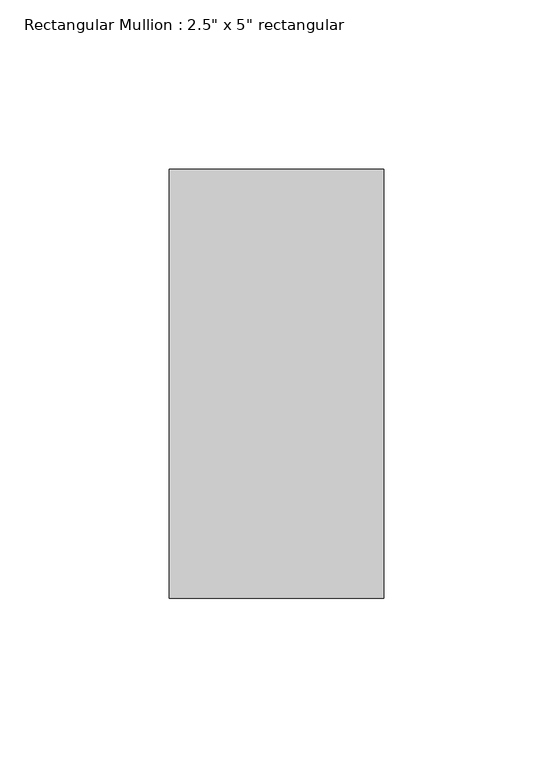
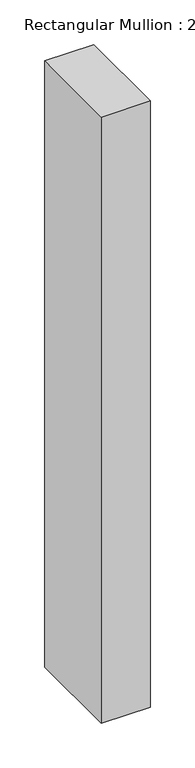
"""IFC4 building model written with IfcOpenShell, lengths in millimetres: member geometry."""

import ifcopenshell
import ifcopenshell.guid

model = None  # the IFC model being written
_history = None  # IfcOwnerHistory: only IFC2X3 demands one
_inside = {}  # id of a spatial element -> (the spatial element, [elements in it])
_under = {}  # id of a project, library or spatial element -> (it, [spatial elements below it])
_declared = {}  # id of a project -> (the project, [libraries it declares])
_typed = {}  # id of a type object -> (the type object, [elements of that type])
_made_of = {}  # id of a material, layer set ... -> (it, [elements and type objects made of it])


def new_model(schema):
    """Start an empty IFC model of exactly this schema.

    Asked for "IFC4X3", IfcOpenShell would pick the latest addendum, in which some entities
    have other attributes; the version numbers below select the first issue.
    IFC2X3 requires an IfcOwnerHistory on every rooted entity: one is made here for all.
    """
    global model, _history
    if schema == "IFC4X3":
        model = ifcopenshell.file(schema_version=(4, 3, 0, 0))
    else:
        model = ifcopenshell.file(schema=schema)
    _inside.clear()
    _under.clear()
    _declared.clear()
    _typed.clear()
    _made_of.clear()
    _history = None
    if model.schema == "IFC2X3":
        org = make("IfcOrganization", Name="unknown")
        user = make(
            "IfcPersonAndOrganization",
            ThePerson=make("IfcPerson", FamilyName="unknown"),
            TheOrganization=org,
        )
        app = make(
            "IfcApplication",
            ApplicationDeveloper=org,
            Version="unknown",
            ApplicationFullName="unknown",
            ApplicationIdentifier="unknown",
        )
        _history = make(
            "IfcOwnerHistory",
            OwningUser=user,
            OwningApplication=app,
            ChangeAction="ADDED",
            CreationDate=0,
        )
    return model


def make(cls, **values):
    """One entity of the class cls with the attributes given. An attribute that is None is left unset."""
    return model.create_entity(
        cls, **{name: value for name, value in values.items() if value is not None}
    )


def rooted(cls, **values):
    """An entity with a GlobalId (a new one), such as an element, a storey or a relation."""
    return make(cls, GlobalId=ifcopenshell.guid.new(), OwnerHistory=_history, **values)


def si_unit(unit_type, name, prefix=None):
    """IfcSIUnit, for example si_unit("LENGTHUNIT", "METRE", prefix="MILLI")."""
    return make("IfcSIUnit", UnitType=unit_type, Prefix=prefix, Name=name)


def assignment(units):
    """IfcUnitAssignment: the units of a project."""
    return None if units is None else make("IfcUnitAssignment", Units=units)


def point(xyz):
    """IfcCartesianPoint."""
    return None if xyz is None else make("IfcCartesianPoint", Coordinates=xyz)


def direction(xyz):
    """IfcDirection."""
    return None if xyz is None else make("IfcDirection", DirectionRatios=xyz)


def frame(location, z_axis=None, x_axis=None):
    """IfcAxis2Placement3D, a coordinate frame: its origin and axes. An axis left out is left unset."""
    return make(
        "IfcAxis2Placement3D",
        Location=point(location),
        Axis=direction(z_axis),
        RefDirection=direction(x_axis),
    )


def origin():
    """The frame at (0, 0, 0) with its axes left unset."""
    return frame((0.0, 0.0, 0.0))


def place(relative_to, where):
    """IfcLocalPlacement: puts the frame where relative to a parent placement (None: the world)."""
    return make(
        "IfcLocalPlacement", PlacementRelTo=relative_to, RelativePlacement=where
    )


def context(
    kind, dimensions, precision=None, world=None, true_north=None, identifier=None
):
    """IfcGeometricRepresentationContext, for example the 3D "Model" context."""
    return make(
        "IfcGeometricRepresentationContext",
        ContextIdentifier=identifier,
        ContextType=kind,
        CoordinateSpaceDimension=dimensions,
        Precision=precision,
        WorldCoordinateSystem=world,
        TrueNorth=true_north,
    )


def project(units=None, contexts=None):
    """IfcProject with its units and contexts."""
    return rooted(
        "IfcProject",
        Name="project",
        RepresentationContexts=contexts,
        UnitsInContext=assignment(units),
    )


def spatial(cls, under=None, at=None, **own):
    """A site, building, storey or space (cls), placed at a placement, below another one or the project."""
    s = rooted(cls, ObjectPlacement=at, **own)
    if under is not None:
        _under.setdefault(under.id(), (under, []))[1].append(s)
    return s


def polyline(points):
    """IfcPolyline through the points."""
    return make("IfcPolyline", Points=[point(p) for p in points])


def outline(outer, holes=None, kind="AREA"):
    """IfcArbitraryClosedProfileDef: a profile drawn as a closed curve; with holes, ...WithVoids."""
    if holes is None:
        return make("IfcArbitraryClosedProfileDef", ProfileType=kind, OuterCurve=outer)
    return make(
        "IfcArbitraryProfileDefWithVoids",
        ProfileType=kind,
        OuterCurve=outer,
        InnerCurves=holes,
    )


def extrude(swept, where, along, depth):
    """IfcExtrudedAreaSolid: the profile swept, set in the frame where, extruded along a direction by depth."""
    return make(
        "IfcExtrudedAreaSolid",
        SweptArea=swept,
        Position=where,
        ExtrudedDirection=direction(along),
        Depth=depth,
    )


def shape(context_of_items, identifier, shape_type, items):
    """IfcShapeRepresentation: the items that make up one representation, for example the "Body"."""
    return make(
        "IfcShapeRepresentation",
        ContextOfItems=context_of_items,
        RepresentationIdentifier=identifier,
        RepresentationType=shape_type,
        Items=items,
    )


def source(mapping_origin, context_of_items, identifier, shape_type, items):
    """IfcRepresentationMap: a shape defined once, which mapped items show again and again."""
    return make(
        "IfcRepresentationMap",
        MappingOrigin=mapping_origin,
        MappedRepresentation=shape(context_of_items, identifier, shape_type, items),
    )


def transform(
    local_origin,
    x_axis=None,
    y_axis=None,
    z_axis=None,
    scale=None,
    scale2=None,
    scale3=None,
    uniform=True,
):
    """IfcCartesianTransformationOperator3D, or its non-uniform kind. x_axis, y_axis, z_axis: its Axis1, 2, 3."""
    if uniform:
        return make(
            "IfcCartesianTransformationOperator3D",
            Axis1=direction(x_axis),
            Axis2=direction(y_axis),
            LocalOrigin=point(local_origin),
            Scale=scale,
            Axis3=direction(z_axis),
        )
    return make(
        "IfcCartesianTransformationOperator3DnonUniform",
        Axis1=direction(x_axis),
        Axis2=direction(y_axis),
        LocalOrigin=point(local_origin),
        Scale=scale,
        Axis3=direction(z_axis),
        Scale2=scale2,
        Scale3=scale3,
    )


def mapped(mapping_source, mapping_target):
    """IfcMappedItem: shows the shape of a source again, moved by a transform."""
    return make(
        "IfcMappedItem", MappingSource=mapping_source, MappingTarget=mapping_target
    )


def made_of(thing, what):
    """Note that an element or type object is made of a material, layer set ...; save() writes the relation."""
    if what is not None:
        _made_of.setdefault(what.id(), (what, []))[1].append(thing)
    return thing


def element(
    cls,
    number,
    at=None,
    inside=None,
    cuts=None,
    type_object=None,
    material=None,
    context=None,
    identifier="Body",
    shape_type=None,
    held_by="IfcProductDefinitionShape",
    body=None,
    shapes=None,
    **own,
):
    """One element of the class cls, such as IfcWall. Its Tag is "e" and its number.

    at: its placement. inside: the storey or other place that contains it. cuts: it is an
    opening in that element (IfcRelVoidsElement). A single representation is given by context,
    identifier, shape_type and body (its items); several are given by shapes. held_by: the class
    of the entity that holds the representations. save() writes the other relations.
    """
    e = rooted(cls, Tag="e%d" % number, ObjectPlacement=at, **own)
    if body is not None:
        shapes = [shape(context, identifier, shape_type, body)]
    if shapes is not None:
        e.Representation = make(held_by, Representations=shapes)
    if inside is not None:
        _inside.setdefault(inside.id(), (inside, []))[1].append(e)
    if cuts is not None:
        rooted(
            "IfcRelVoidsElement", RelatingBuildingElement=cuts, RelatedOpeningElement=e
        )
    if type_object is not None:
        _typed.setdefault(type_object.id(), (type_object, []))[1].append(e)
    return made_of(e, material)


def aggregate(whole, parts):
    """IfcRelAggregates: a whole, such as a stair, and the parts it consists of."""
    return rooted("IfcRelAggregates", RelatingObject=whole, RelatedObjects=parts)


def save(model, path):
    """Write the relations noted so far, then the file.

    IfcRelAggregates (storeys below a building ...), IfcRelContainedInSpatialStructure (elements
    in a storey), IfcRelDefinesByType, IfcRelAssociatesMaterial and IfcRelDeclares: one each for
    every whole, place, type object, material and project.
    """
    for whole, parts in _under.values():
        aggregate(whole, parts)
    for where, things in _inside.values():
        rooted(
            "IfcRelContainedInSpatialStructure",
            RelatedElements=things,
            RelatingStructure=where,
        )
    for kind, things in _typed.values():
        rooted("IfcRelDefinesByType", RelatedObjects=things, RelatingType=kind)
    for what, things in _made_of.values():
        rooted("IfcRelAssociatesMaterial", RelatedObjects=things, RelatingMaterial=what)
    for by, libraries in _declared.values():
        rooted("IfcRelDeclares", RelatingContext=by, RelatedDefinitions=libraries)
    model.write(path)


def member_0c741b89(model_context):
    return source(origin(), model_context, "Body", "SweptSolid", [
        extrude(outline(polyline([(0.0, 63.5), (0.0, -63.5), (-63.5, -63.5), (-63.5, 63.5), (0.0, 63.5)])), frame((0.0, 0.0, -830.0357143), z_axis=(0.0, 0.0, 1.0), x_axis=(1.0, 0.0, 0.0)), (0.0, 0.0, 1.0), 830.0357143),
    ])


if __name__ == "__main__":
    model = new_model("IFC4")
    model_context = context("Model", 3, world=origin())
    ifc_project = project(units=[si_unit("LENGTHUNIT", "METRE", prefix="MILLI")], contexts=[model_context])
    site = spatial("IfcSite", under=ifc_project)
    building = spatial("IfcBuilding", under=site)
    placement = place(None, origin())
    member_shape = member_0c741b89(model_context)
    element("IfcMember", 1, ObjectType="Rectangular Mullion : 2.5\" x 5\" rectangular", at=placement, inside=building, context=model_context, shape_type="MappedRepresentation", body=[
        mapped(member_shape, transform((0.0, 0.0, 0.0), x_axis=(1.0, 0.0, 0.0), y_axis=(0.0, 1.0, 0.0), z_axis=(0.0, 0.0, 1.0))),
    ])
    save(model, "model.ifc")
